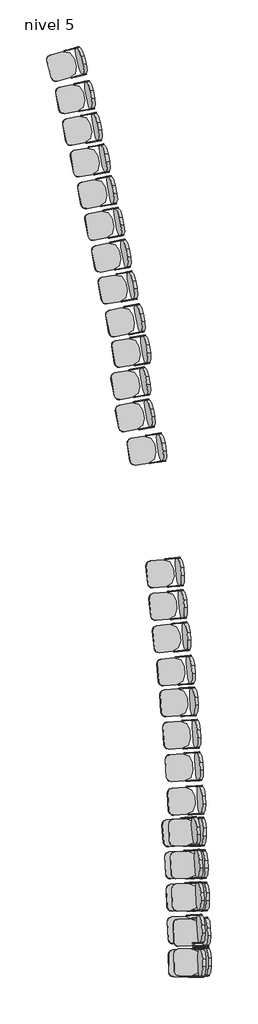
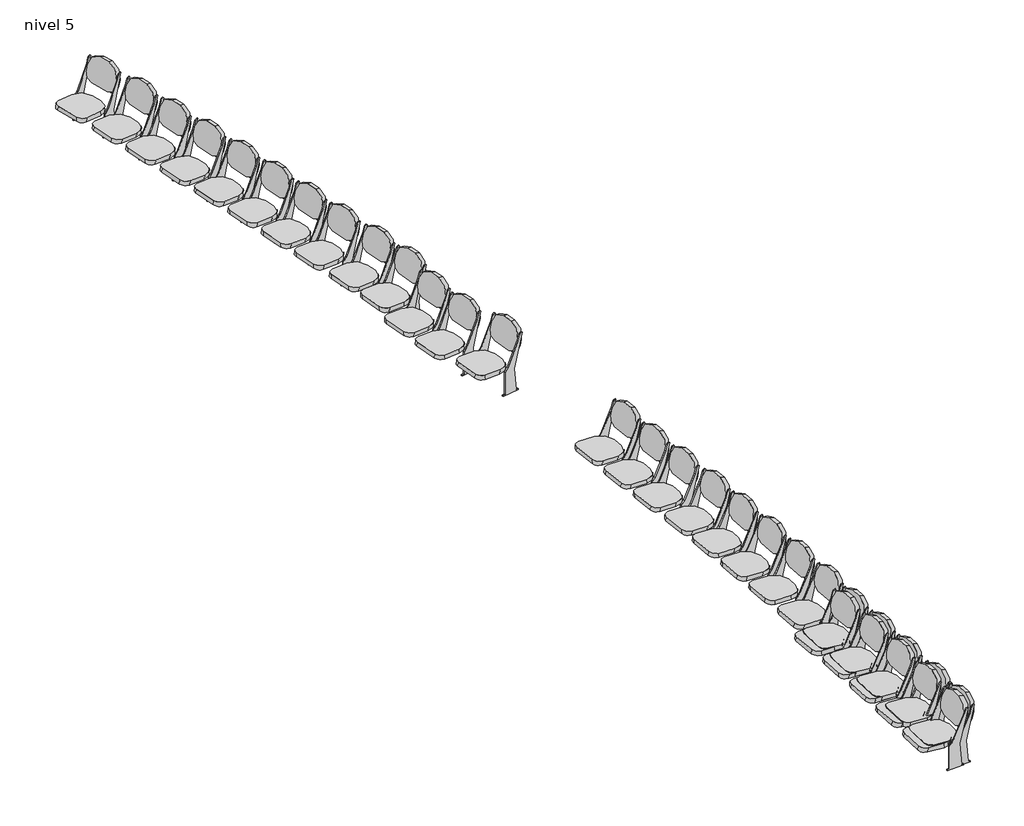
# One storey: 31 furniture elements.
"""IFC4 building model written with IfcOpenShell, lengths in millimetres."""

import ifcopenshell
import ifcopenshell.guid

model = None  # the IFC model being written
_history = None  # IfcOwnerHistory: only IFC2X3 demands one
_inside = {}  # id of a spatial element -> (the spatial element, [elements in it])
_under = {}  # id of a project, library or spatial element -> (it, [spatial elements below it])
_declared = {}  # id of a project -> (the project, [libraries it declares])
_typed = {}  # id of a type object -> (the type object, [elements of that type])
_made_of = {}  # id of a material, layer set ... -> (it, [elements and type objects made of it])


def new_model(schema):
    """Start an empty IFC model of exactly this schema.

    Asked for "IFC4X3", IfcOpenShell would pick the latest addendum, in which some entities
    have other attributes; the version numbers below select the first issue.
    IFC2X3 requires an IfcOwnerHistory on every rooted entity: one is made here for all.
    """
    global model, _history
    if schema == "IFC4X3":
        model = ifcopenshell.file(schema_version=(4, 3, 0, 0))
    else:
        model = ifcopenshell.file(schema=schema)
    _inside.clear()
    _under.clear()
    _declared.clear()
    _typed.clear()
    _made_of.clear()
    _history = None
    if model.schema == "IFC2X3":
        org = make("IfcOrganization", Name="unknown")
        user = make(
            "IfcPersonAndOrganization",
            ThePerson=make("IfcPerson", FamilyName="unknown"),
            TheOrganization=org,
        )
        app = make(
            "IfcApplication",
            ApplicationDeveloper=org,
            Version="unknown",
            ApplicationFullName="unknown",
            ApplicationIdentifier="unknown",
        )
        _history = make(
            "IfcOwnerHistory",
            OwningUser=user,
            OwningApplication=app,
            ChangeAction="ADDED",
            CreationDate=0,
        )
    return model


def make(cls, **values):
    """One entity of the class cls with the attributes given. An attribute that is None is left unset."""
    return model.create_entity(
        cls, **{name: value for name, value in values.items() if value is not None}
    )


def rooted(cls, **values):
    """An entity with a GlobalId (a new one), such as an element, a storey or a relation."""
    return make(cls, GlobalId=ifcopenshell.guid.new(), OwnerHistory=_history, **values)


def si_unit(unit_type, name, prefix=None):
    """IfcSIUnit, for example si_unit("LENGTHUNIT", "METRE", prefix="MILLI")."""
    return make("IfcSIUnit", UnitType=unit_type, Prefix=prefix, Name=name)


def assignment(units):
    """IfcUnitAssignment: the units of a project."""
    return None if units is None else make("IfcUnitAssignment", Units=units)


def point(xyz):
    """IfcCartesianPoint."""
    return None if xyz is None else make("IfcCartesianPoint", Coordinates=xyz)


def direction(xyz):
    """IfcDirection."""
    return None if xyz is None else make("IfcDirection", DirectionRatios=xyz)


def frame(location, z_axis=None, x_axis=None):
    """IfcAxis2Placement3D, a coordinate frame: its origin and axes. An axis left out is left unset."""
    return make(
        "IfcAxis2Placement3D",
        Location=point(location),
        Axis=direction(z_axis),
        RefDirection=direction(x_axis),
    )


def frame_2d(location, x_axis=None):
    """IfcAxis2Placement2D, a coordinate frame in the plane: its origin and x axis."""
    return make(
        "IfcAxis2Placement2D", Location=point(location), RefDirection=direction(x_axis)
    )


def origin():
    """The frame at (0, 0, 0) with its axes left unset."""
    return frame((0.0, 0.0, 0.0))


def place(relative_to, where):
    """IfcLocalPlacement: puts the frame where relative to a parent placement (None: the world)."""
    return make(
        "IfcLocalPlacement", PlacementRelTo=relative_to, RelativePlacement=where
    )


def context(
    kind, dimensions, precision=None, world=None, true_north=None, identifier=None
):
    """IfcGeometricRepresentationContext, for example the 3D "Model" context."""
    return make(
        "IfcGeometricRepresentationContext",
        ContextIdentifier=identifier,
        ContextType=kind,
        CoordinateSpaceDimension=dimensions,
        Precision=precision,
        WorldCoordinateSystem=world,
        TrueNorth=true_north,
    )


def project(units=None, contexts=None):
    """IfcProject with its units and contexts."""
    return rooted(
        "IfcProject",
        Name="project",
        RepresentationContexts=contexts,
        UnitsInContext=assignment(units),
    )


def spatial(cls, under=None, at=None, **own):
    """A site, building, storey or space (cls), placed at a placement, below another one or the project."""
    s = rooted(cls, ObjectPlacement=at, **own)
    if under is not None:
        _under.setdefault(under.id(), (under, []))[1].append(s)
    return s


def polyline(points):
    """IfcPolyline through the points."""
    return make("IfcPolyline", Points=[point(p) for p in points])


def circle_curve(where, radius):
    """IfcCircle in the frame where."""
    return make("IfcCircle", Position=where, Radius=radius)


def trimmed(basis, trim1, trim2, sense, master):
    """IfcTrimmedCurve: the piece of a basis curve between two trims."""
    return make(
        "IfcTrimmedCurve",
        BasisCurve=basis,
        Trim1=trim1,
        Trim2=trim2,
        SenseAgreement=sense,
        MasterRepresentation=master,
    )


def segment(curve, same_sense, transition):
    """IfcCompositeCurveSegment."""
    return make(
        "IfcCompositeCurveSegment",
        Transition=transition,
        SameSense=same_sense,
        ParentCurve=curve,
    )


def composite_curve(segments, self_intersect=None):
    """IfcCompositeCurve: segments joined end to end."""
    return make("IfcCompositeCurve", Segments=segments, SelfIntersect=self_intersect)


def outline(outer, holes=None, kind="AREA"):
    """IfcArbitraryClosedProfileDef: a profile drawn as a closed curve; with holes, ...WithVoids."""
    if holes is None:
        return make("IfcArbitraryClosedProfileDef", ProfileType=kind, OuterCurve=outer)
    return make(
        "IfcArbitraryProfileDefWithVoids",
        ProfileType=kind,
        OuterCurve=outer,
        InnerCurves=holes,
    )


def extrude(swept, where, along, depth):
    """IfcExtrudedAreaSolid: the profile swept, set in the frame where, extruded along a direction by depth."""
    return make(
        "IfcExtrudedAreaSolid",
        SweptArea=swept,
        Position=where,
        ExtrudedDirection=direction(along),
        Depth=depth,
    )


def shape(context_of_items, identifier, shape_type, items):
    """IfcShapeRepresentation: the items that make up one representation, for example the "Body"."""
    return make(
        "IfcShapeRepresentation",
        ContextOfItems=context_of_items,
        RepresentationIdentifier=identifier,
        RepresentationType=shape_type,
        Items=items,
    )


def source(mapping_origin, context_of_items, identifier, shape_type, items):
    """IfcRepresentationMap: a shape defined once, which mapped items show again and again."""
    return make(
        "IfcRepresentationMap",
        MappingOrigin=mapping_origin,
        MappedRepresentation=shape(context_of_items, identifier, shape_type, items),
    )


def transform(
    local_origin,
    x_axis=None,
    y_axis=None,
    z_axis=None,
    scale=None,
    scale2=None,
    scale3=None,
    uniform=True,
):
    """IfcCartesianTransformationOperator3D, or its non-uniform kind. x_axis, y_axis, z_axis: its Axis1, 2, 3."""
    if uniform:
        return make(
            "IfcCartesianTransformationOperator3D",
            Axis1=direction(x_axis),
            Axis2=direction(y_axis),
            LocalOrigin=point(local_origin),
            Scale=scale,
            Axis3=direction(z_axis),
        )
    return make(
        "IfcCartesianTransformationOperator3DnonUniform",
        Axis1=direction(x_axis),
        Axis2=direction(y_axis),
        LocalOrigin=point(local_origin),
        Scale=scale,
        Axis3=direction(z_axis),
        Scale2=scale2,
        Scale3=scale3,
    )


def mapped(mapping_source, mapping_target):
    """IfcMappedItem: shows the shape of a source again, moved by a transform."""
    return make(
        "IfcMappedItem", MappingSource=mapping_source, MappingTarget=mapping_target
    )


def made_of(thing, what):
    """Note that an element or type object is made of a material, layer set ...; save() writes the relation."""
    if what is not None:
        _made_of.setdefault(what.id(), (what, []))[1].append(thing)
    return thing


def element(
    cls,
    number,
    at=None,
    inside=None,
    cuts=None,
    type_object=None,
    material=None,
    context=None,
    identifier="Body",
    shape_type=None,
    held_by="IfcProductDefinitionShape",
    body=None,
    shapes=None,
    **own,
):
    """One element of the class cls, such as IfcWall. Its Tag is "e" and its number.

    at: its placement. inside: the storey or other place that contains it. cuts: it is an
    opening in that element (IfcRelVoidsElement). A single representation is given by context,
    identifier, shape_type and body (its items); several are given by shapes. held_by: the class
    of the entity that holds the representations. save() writes the other relations.
    """
    e = rooted(cls, Tag="e%d" % number, ObjectPlacement=at, **own)
    if body is not None:
        shapes = [shape(context, identifier, shape_type, body)]
    if shapes is not None:
        e.Representation = make(held_by, Representations=shapes)
    if inside is not None:
        _inside.setdefault(inside.id(), (inside, []))[1].append(e)
    if cuts is not None:
        rooted(
            "IfcRelVoidsElement", RelatingBuildingElement=cuts, RelatedOpeningElement=e
        )
    if type_object is not None:
        _typed.setdefault(type_object.id(), (type_object, []))[1].append(e)
    return made_of(e, material)


def aggregate(whole, parts):
    """IfcRelAggregates: a whole, such as a stair, and the parts it consists of."""
    return rooted("IfcRelAggregates", RelatingObject=whole, RelatedObjects=parts)


def save(model, path):
    """Write the relations noted so far, then the file.

    IfcRelAggregates (storeys below a building ...), IfcRelContainedInSpatialStructure (elements
    in a storey), IfcRelDefinesByType, IfcRelAssociatesMaterial and IfcRelDeclares: one each for
    every whole, place, type object, material and project.
    """
    for whole, parts in _under.values():
        aggregate(whole, parts)
    for where, things in _inside.values():
        rooted(
            "IfcRelContainedInSpatialStructure",
            RelatedElements=things,
            RelatingStructure=where,
        )
    for kind, things in _typed.values():
        rooted("IfcRelDefinesByType", RelatedObjects=things, RelatingType=kind)
    for what, things in _made_of.values():
        rooted("IfcRelAssociatesMaterial", RelatedObjects=things, RelatingMaterial=what)
    for by, libraries in _declared.values():
        rooted("IfcRelDeclares", RelatingContext=by, RelatedDefinitions=libraries)
    model.write(path)


def furniture_457_x_610mm_3d1d9cbc(model_context):
    return source(origin(), model_context, "Body", "SweptSolid", [
        extrude(outline(composite_curve([segment(polyline([(0.0, 0.0), (127.0, 0.0)]), True, "CONTINUOUS"), segment(trimmed(circle_curve(frame_2d((127.0, -152.4)), 152.4), [point((127.0, 0.0))], [point((279.4, -152.4))], False, "CARTESIAN"), True, "CONTINUOUS"), segment(polyline([(279.4, -152.4), (279.4, -224.0588601)]), True, "CONTINUOUS"), segment(trimmed(circle_curve(frame_2d((177.8, -224.0588601)), 101.6), [point((279.4, -224.0588601))], [point((177.8, -325.6588601))], False, "CARTESIAN"), True, "CONTINUOUS"), segment(polyline([(177.8, -325.6588601), (-50.8, -325.6588601)]), True, "CONTINUOUS"), segment(trimmed(circle_curve(frame_2d((-50.8, -224.0588601)), 101.6), [point((-50.8, -325.6588601))], [point((-152.4, -224.0588601))], False, "CARTESIAN"), True, "CONTINUOUS"), segment(polyline([(-152.4, -224.0588601), (-152.4, -152.4)]), True, "CONTINUOUS"), segment(trimmed(circle_curve(frame_2d((0.0, -152.4)), 152.4), [point((-152.4, -152.4))], [point((0.0, 0.0))], False, "CARTESIAN"), True, "CONTINUOUS")], self_intersect=False)), frame((224.2278689, -101.3396919, 755.9484479), z_axis=(0.0, 0.9717404775047361, 0.23605178325712217), x_axis=(-1.0, 0.0, 0.0)), (0.0, 0.0, 1.0), 50.8),
        extrude(outline(composite_curve([segment(trimmed(circle_curve(frame_2d((0.0, -76.2)), 76.2), [point((0.0, 0.0))], [point((76.2, -76.2))], False, "CARTESIAN"), True, "CONTINUOUS"), segment(polyline([(76.2, -76.2), (76.2, -276.4123505)]), True, "CONTINUOUS"), segment(trimmed(circle_curve(frame_2d((-76.2, -276.4123505)), 152.4), [point((76.2, -276.4123505))], [point((-76.2, -428.8123506))], False, "CARTESIAN"), True, "CONTINUOUS"), segment(polyline([(-76.2, -428.8123506), (-203.2, -428.8123506)]), True, "CONTINUOUS"), segment(trimmed(circle_curve(frame_2d((-203.2, -276.4123505)), 152.4), [point((-203.2, -428.8123506))], [point((-355.6, -276.4123505))], False, "CARTESIAN"), True, "CONTINUOUS"), segment(polyline([(-355.6, -276.4123505), (-355.6, -76.2)]), True, "CONTINUOUS"), segment(trimmed(circle_curve(frame_2d((-279.4, -76.2)), 76.2), [point((-355.6, -76.2))], [point((-279.4, 0.0))], False, "CARTESIAN"), True, "CONTINUOUS"), segment(polyline([(-279.4, 0.0), (0.0, 0.0)]), True, "CONTINUOUS")], self_intersect=False)), frame((300.4278689, 497.5245173, 321.2380213), z_axis=(0.0, -0.08715574274765496, 0.9961946980917459), x_axis=(1.0, 0.0, 0.0)), (0.0, 0.0, 1.0), 50.8),
        extrude(outline(composite_curve([segment(polyline([(-13.3245902, 0.0), (-13.3245902, 12.7), (12.0754098, 12.7), (37.4754098, 292.1), (-64.1245902, 711.2), (-57.883846, 711.2)]), True, "CONTINUOUS"), segment(trimmed(circle_curve(frame_2d((-57.883846, 685.8)), 25.4), [point((-57.883846, 711.2))], [point((-33.4611378, 692.7779166))], False, "CARTESIAN"), True, "CONTINUOUS"), segment(polyline([(-33.4611378, 692.7779166), (-13.3245902, 622.3), (121.8491486, 342.9), (164.4754098, 292.1), (164.4754098, 12.7), (189.8754098, 12.7), (189.8754098, 0.0), (-13.3245902, 0.0)]), True, "CONTINUOUS")], self_intersect=False)), frame((-67.8721311, 0.0, 0.0), z_axis=(1.0, 0.0, 0.0), x_axis=(0.0, 1.0, 0.0)), (0.0, 0.0, 1.0), 12.7),
        extrude(outline(composite_curve([segment(polyline([(-13.3245902, 12.7), (12.0754098, 12.7), (37.4754098, 292.1), (-64.1245902, 711.2), (-57.883846, 711.2)]), True, "CONTINUOUS"), segment(trimmed(circle_curve(frame_2d((-57.883846, 685.8)), 25.4), [point((-57.883846, 711.2))], [point((-33.4611378, 692.7779166))], False, "CARTESIAN"), True, "CONTINUOUS"), segment(polyline([(-33.4611378, 692.7779166), (-13.3245902, 622.3), (121.8491486, 342.9), (164.4754098, 292.1), (164.4754098, 12.7), (189.8754098, 12.7), (189.8754098, 0.0), (-13.3245902, 0.0), (-13.3245902, 12.7)]), True, "CONTINUOUS")], self_intersect=False)), frame((376.6278689, 0.0, 0.0), z_axis=(1.0, 0.0, 0.0), x_axis=(0.0, 1.0, 0.0)), (0.0, 0.0, 1.0), 12.7),
    ])


model = new_model("IFC4")

# Units and contexts
model_context = context("Model", 3, world=origin())
ifc_project = project(units=[si_unit("LENGTHUNIT", "METRE", prefix="MILLI")], contexts=[model_context])

# Site, building, storey
site = spatial("IfcSite", under=ifc_project)
building = spatial("IfcBuilding", under=site)
storey = spatial("IfcBuildingStorey", under=building, Name="nivel 5", Elevation=5680.0)

# Furniture
placement = place(None, origin())
furniture_457_x_610mm_shape = furniture_457_x_610mm_3d1d9cbc(model_context)
element("IfcFurniture", 1, ObjectType="457 x 610mm", at=placement, inside=storey, context=model_context, shape_type="MappedRepresentation", body=[
    mapped(furniture_457_x_610mm_shape, transform((-28451.5379738, 33182.7942996, 5680.0), x_axis=(-0.02253617202695174, 0.9997460282243543, 0.0), y_axis=(-0.9997460282243543, -0.02253617202695174, 0.0), z_axis=(0.0, 0.0, 1.0))),
])
element("IfcFurniture", 2, ObjectType="457 x 610mm", at=placement, inside=storey, context=model_context, shape_type="MappedRepresentation", body=[
    mapped(furniture_457_x_610mm_shape, transform((-28461.5409612, 33660.0203051, 5680.0), x_axis=(-0.030936293886269062, 0.9995213583113581, 0.0), y_axis=(-0.9995213583113581, -0.030936293886269062, 0.0), z_axis=(0.0, 0.0, 1.0))),
])
element("IfcFurniture", 3, ObjectType="457 x 610mm", at=placement, inside=storey, context=model_context, shape_type="MappedRepresentation", body=[
    mapped(furniture_457_x_610mm_shape, transform((-28480.578818, 34221.875011, 5680.0), x_axis=(-0.030936293886269062, 0.9995213583113581, 0.0), y_axis=(-0.9995213583113581, -0.030936293886269062, 0.0), z_axis=(0.0, 0.0, 1.0))),
])
element("IfcFurniture", 4, ObjectType="457 x 610mm", at=placement, inside=storey, context=model_context, shape_type="MappedRepresentation", body=[
    mapped(furniture_457_x_610mm_shape, transform((-28502.3856448, 34740.3656187, 5680.0), x_axis=(-0.030936293886269062, 0.9995213583113581, 0.0), y_axis=(-0.9995213583113581, -0.030936293886269062, 0.0), z_axis=(0.0, 0.0, 1.0))),
])
element("IfcFurniture", 5, ObjectType="457 x 610mm", at=placement, inside=storey, context=model_context, shape_type="MappedRepresentation", body=[
    mapped(furniture_457_x_610mm_shape, transform((-28528.6125447, 35258.6563303, 5680.0), x_axis=(-0.030936293886269062, 0.9995213583113581, 0.0), y_axis=(-0.9995213583113581, -0.030936293886269062, 0.0), z_axis=(0.0, 0.0, 1.0))),
])
element("IfcFurniture", 6, ObjectType="457 x 610mm", at=placement, inside=storey, context=model_context, shape_type="MappedRepresentation", body=[
    mapped(furniture_457_x_610mm_shape, transform((-28538.5180521, 35766.1220725, 5680.0), x_axis=(-0.063302286163267, 0.9979943990656982, 0.0), y_axis=(-0.9979943990656982, -0.063302286163267, 0.0), z_axis=(0.0, 0.0, 1.0))),
])
element("IfcFurniture", 7, ObjectType="457 x 610mm", at=placement, inside=storey, context=model_context, shape_type="MappedRepresentation", body=[
    mapped(furniture_457_x_610mm_shape, transform((-28574.7208837, 36301.9160899, 5680.0), x_axis=(-0.06330228616326705, 0.9979943990656981, 0.0), y_axis=(-0.9979943990656981, -0.06330228616326705, 0.0), z_axis=(0.0, 0.0, 1.0))),
])
element("IfcFurniture", 8, ObjectType="457 x 610mm", at=placement, inside=storey, context=model_context, shape_type="MappedRepresentation", body=[
    mapped(furniture_457_x_610mm_shape, transform((-28614.2038407, 36819.486802, 5680.0), x_axis=(-0.06330228616326705, 0.9979943990656981, 0.0), y_axis=(-0.9979943990656981, -0.06330228616326705, 0.0), z_axis=(0.0, 0.0, 1.0))),
])
element("IfcFurniture", 9, ObjectType="457 x 610mm", at=placement, inside=storey, context=model_context, shape_type="MappedRepresentation", body=[
    mapped(furniture_457_x_610mm_shape, transform((-28658.0985514, 37336.7069358, 5680.0), x_axis=(-0.06330228616326705, 0.9979943990656981, 0.0), y_axis=(-0.9979943990656981, -0.06330228616326705, 0.0), z_axis=(0.0, 0.0, 1.0))),
])
element("IfcFurniture", 10, ObjectType="457 x 610mm", at=placement, inside=storey, context=model_context, shape_type="MappedRepresentation", body=[
    mapped(furniture_457_x_610mm_shape, transform((-28699.7140423, 37842.5721275, 5680.0), x_axis=(-0.0972946466437626, 0.9952556213026221, 0.0), y_axis=(-0.9952556213026221, -0.0972946466437626, 0.0), z_axis=(0.0, 0.0, 1.0))),
])
element("IfcFurniture", 11, ObjectType="457 x 610mm", at=placement, inside=storey, context=model_context, shape_type="MappedRepresentation", body=[
    mapped(furniture_457_x_610mm_shape, transform((-28768.8051437, 38375.2627866, 5680.0), x_axis=(-0.09729464664376242, 0.9952556213026206, 0.0), y_axis=(-0.9952556213026206, -0.09729464664376242, 0.0), z_axis=(0.0, 0.0, 1.0))),
])
element("IfcFurniture", 12, ObjectType="457 x 610mm", at=placement, inside=storey, context=model_context, shape_type="MappedRepresentation", body=[
    mapped(furniture_457_x_610mm_shape, transform((-28825.8992281, 38891.0615007, 5680.0), x_axis=(-0.09729464664376242, 0.9952556213026206, 0.0), y_axis=(-0.9952556213026206, -0.09729464664376242, 0.0), z_axis=(0.0, 0.0, 1.0))),
])
element("IfcFurniture", 13, ObjectType="457 x 610mm", at=placement, inside=storey, context=model_context, shape_type="MappedRepresentation", body=[
    mapped(furniture_457_x_610mm_shape, transform((-28873.0827868, 39408.248598, 5680.0), x_axis=(-0.09729464664376242, 0.9952556213026206, 0.0), y_axis=(-0.9952556213026206, -0.09729464664376242, 0.0), z_axis=(0.0, 0.0, 1.0))),
])
element("IfcFurniture", 14, ObjectType="457 x 610mm", at=placement, inside=storey, context=model_context, shape_type="MappedRepresentation", body=[
    mapped(furniture_457_x_610mm_shape, transform((-29156.7430897, 41394.1564974, 5680.0), x_axis=(-0.1566641923175392, 0.9876519279814592, 0.0), y_axis=(-0.9876519279814592, -0.1566641923175392, 0.0), z_axis=(0.0, 0.0, 1.0))),
])
element("IfcFurniture", 15, ObjectType="457 x 610mm", at=placement, inside=storey, context=model_context, shape_type="MappedRepresentation", body=[
    mapped(furniture_457_x_610mm_shape, transform((-29407.7349485, 42956.1216858, 5680.0), x_axis=(-0.15666419231753925, 0.987651927981459, 0.0), y_axis=(-0.987651927981459, -0.15666419231753925, 0.0), z_axis=(0.0, 0.0, 1.0))),
])
element("IfcFurniture", 16, ObjectType="457 x 610mm", at=placement, inside=storey, context=model_context, shape_type="MappedRepresentation", body=[
    mapped(furniture_457_x_610mm_shape, transform((-29496.4908568, 43455.5118222, 5680.0), x_axis=(-0.188403336576056, 0.9820917384679546, 0.0), y_axis=(-0.9820917384679546, -0.188403336576056, 0.0), z_axis=(0.0, 0.0, 1.0))),
])
element("IfcFurniture", 17, ObjectType="457 x 610mm", at=placement, inside=storey, context=model_context, shape_type="MappedRepresentation", body=[
    mapped(furniture_457_x_610mm_shape, transform((-29614.5085037, 43979.5335266, 5680.0), x_axis=(-0.188403336576056, 0.9820917384679546, 0.0), y_axis=(-0.9820917384679546, -0.188403336576056, 0.0), z_axis=(0.0, 0.0, 1.0))),
])
element("IfcFurniture", 18, ObjectType="457 x 610mm", at=placement, inside=storey, context=model_context, shape_type="MappedRepresentation", body=[
    mapped(furniture_457_x_610mm_shape, transform((-29719.1873202, 44487.8153316, 5680.0), x_axis=(-0.188403336576056, 0.9820917384679546, 0.0), y_axis=(-0.9820917384679546, -0.188403336576056, 0.0), z_axis=(0.0, 0.0, 1.0))),
])
element("IfcFurniture", 19, ObjectType="457 x 610mm", at=placement, inside=storey, context=model_context, shape_type="MappedRepresentation", body=[
    mapped(furniture_457_x_610mm_shape, transform((-29828.1969363, 44995.1909476, 5680.0), x_axis=(-0.188403336576056, 0.9820917384679546, 0.0), y_axis=(-0.9820917384679546, -0.188403336576056, 0.0), z_axis=(0.0, 0.0, 1.0))),
])
element("IfcFurniture", 20, ObjectType="457 x 610mm", at=placement, inside=storey, context=model_context, shape_type="MappedRepresentation", body=[
    mapped(furniture_457_x_610mm_shape, transform((-29941.5273779, 45501.6139515, 5680.0), x_axis=(-0.188403336576056, 0.9820917384679546, 0.0), y_axis=(-0.9820917384679546, -0.188403336576056, 0.0), z_axis=(0.0, 0.0, 1.0))),
])
element("IfcFurniture", 21, ObjectType="457 x 610mm", at=placement, inside=storey, context=model_context, shape_type="MappedRepresentation", body=[
    mapped(furniture_457_x_610mm_shape, transform((-30059.1725379, 46007.0570526, 5680.0), x_axis=(-0.188403336576056, 0.9820917384679546, 0.0), y_axis=(-0.9820917384679546, -0.188403336576056, 0.0), z_axis=(0.0, 0.0, 1.0))),
])
element("IfcFurniture", 22, ObjectType="457 x 610mm", at=placement, inside=storey, context=model_context, shape_type="MappedRepresentation", body=[
    mapped(furniture_457_x_610mm_shape, transform((-30181.121652, 46511.4740046, 5680.0), x_axis=(-0.188403336576056, 0.9820917384679546, 0.0), y_axis=(-0.9820917384679546, -0.188403336576056, 0.0), z_axis=(0.0, 0.0, 1.0))),
])
element("IfcFurniture", 23, ObjectType="457 x 610mm", at=placement, inside=storey, context=model_context, shape_type="MappedRepresentation", body=[
    mapped(furniture_457_x_610mm_shape, transform((-30293.1031838, 47018.4800673, 5680.0), x_axis=(-0.188403336576056, 0.9820917384679546, 0.0), y_axis=(-0.9820917384679546, -0.188403336576056, 0.0), z_axis=(0.0, 0.0, 1.0))),
])
element("IfcFurniture", 24, ObjectType="457 x 610mm", at=placement, inside=storey, context=model_context, shape_type="MappedRepresentation", body=[
    mapped(furniture_457_x_610mm_shape, transform((-30422.9882707, 47563.4022737, 5680.0), x_axis=(-0.25565191589443215, 0.9667688958068037, 0.0), y_axis=(-0.9667688958068037, -0.25565191589443215, 0.0), z_axis=(0.0, 0.0, 1.0))),
])
element("IfcFurniture", 25, ObjectType="457 x 610mm", at=placement, inside=storey, context=model_context, shape_type="MappedRepresentation", body=[
    mapped(furniture_457_x_610mm_shape, transform((-29412.8910825, 42450.5889106, 5680.0), x_axis=(-0.1814442161715611, 0.9834012387717882, 0.0), y_axis=(-0.9834012387717882, -0.1814442161715611, 0.0), z_axis=(0.0, 0.0, 1.0))),
])
element("IfcFurniture", 26, ObjectType="457 x 610mm", at=placement, inside=storey, context=model_context, shape_type="MappedRepresentation", body=[
    mapped(furniture_457_x_610mm_shape, transform((-29340.1065178, 41936.4951907, 5680.0), x_axis=(-0.1814442161715611, 0.9834012387717882, 0.0), y_axis=(-0.9834012387717882, -0.1814442161715611, 0.0), z_axis=(0.0, 0.0, 1.0))),
])
element("IfcFurniture", 27, ObjectType="457 x 610mm", at=placement, inside=storey, context=model_context, shape_type="MappedRepresentation", body=[
    mapped(furniture_457_x_610mm_shape, transform((-28619.9706452, 35270.2024096, 5680.0), x_axis=(-0.0888056620928292, 0.9960489718785187, 0.0), y_axis=(-0.9960489718785187, -0.0888056620928292, 0.0), z_axis=(0.0, 0.0, 1.0))),
])
element("IfcFurniture", 28, ObjectType="457 x 610mm", at=placement, inside=storey, context=model_context, shape_type="MappedRepresentation", body=[
    mapped(furniture_457_x_610mm_shape, transform((-28584.2393159, 34745.4764624, 5680.0), x_axis=(-0.05345934717342149, 0.9985700266880594, 0.0), y_axis=(-0.9985700266880594, -0.05345934717342149, 0.0), z_axis=(0.0, 0.0, 1.0))),
])
element("IfcFurniture", 29, ObjectType="457 x 610mm", at=placement, inside=storey, context=model_context, shape_type="MappedRepresentation", body=[
    mapped(furniture_457_x_610mm_shape, transform((-28562.4272144, 34226.8604406, 5680.0), x_axis=(-0.05345934717342149, 0.9985700266880594, 0.0), y_axis=(-0.9985700266880594, -0.05345934717342149, 0.0), z_axis=(0.0, 0.0, 1.0))),
])
element("IfcFurniture", 30, ObjectType="457 x 610mm", at=placement, inside=storey, context=model_context, shape_type="MappedRepresentation", body=[
    mapped(furniture_457_x_610mm_shape, transform((-28545.0374304, 33708.0724223, 5680.0), x_axis=(-0.05345934717342149, 0.9985700266880594, 0.0), y_axis=(-0.9985700266880594, -0.05345934717342149, 0.0), z_axis=(0.0, 0.0, 1.0))),
])
element("IfcFurniture", 31, ObjectType="457 x 610mm", at=placement, inside=storey, context=model_context, shape_type="MappedRepresentation", body=[
    mapped(furniture_457_x_610mm_shape, transform((-28536.7311244, 33164.8156861, 5680.0), x_axis=(-0.020720905980056104, 0.9997852989794187, 0.0), y_axis=(-0.9997852989794187, -0.020720905980056104, 0.0), z_axis=(0.0, 0.0, 1.0))),
])

save(model, "model.ifc")
